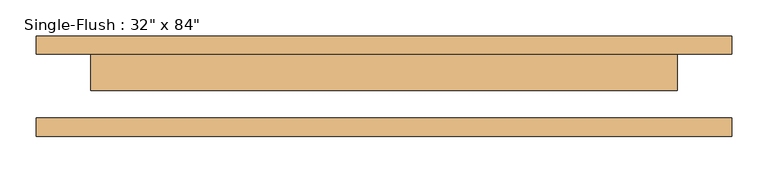
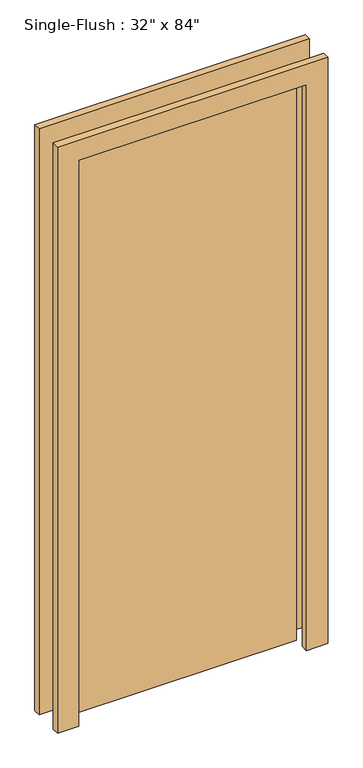
"""IFC4 building model written with IfcOpenShell, lengths in millimetres: door geometry."""

from ifc_helpers import new_model, si_unit, frame, origin, origin_with_axes, place, context, project, spatial, polyline, outline, extrude, source, transform, mapped, element, save


def door_2eec1c50(model_context):
    return source(origin(), model_context, "Body", "SweptSolid", [
        extrude(outline(polyline([(2209.8, -482.6), (0.0, -482.6), (0.0, -406.4), (2133.6, -406.4), (2133.6, 406.4), (0.0, 406.4), (0.0, 482.6), (2209.8, 482.6), (2209.8, -482.6)])), frame((0.0, 44.45, 0.0), z_axis=(0.0, 1.0, 0.0), x_axis=(0.0, 0.0, 1.0)), (0.0, 0.0, 1.0), 25.4),
        extrude(outline(polyline([(2209.8, 482.6), (2209.8, -482.6), (0.0, -482.6), (0.0, -406.4), (2133.6, -406.4), (2133.6, 406.4), (0.0, 406.4), (0.0, 482.6), (2209.8, 482.6)])), frame((0.0, -69.85, 0.0), z_axis=(0.0, 1.0, 0.0), x_axis=(0.0, 0.0, 1.0)), (0.0, 0.0, 1.0), 25.4),
        extrude(outline(polyline([(406.4, -6.35), (-406.4, -6.35), (-406.4, 44.45), (406.4, 44.45), (406.4, -6.35)])), origin_with_axes(), (0.0, 0.0, 1.0), 2133.6),
    ])


if __name__ == "__main__":
    model = new_model("IFC4")
    model_context = context("Model", 3, world=origin())
    ifc_project = project(units=[si_unit("LENGTHUNIT", "METRE", prefix="MILLI")], contexts=[model_context])
    site = spatial("IfcSite", under=ifc_project)
    building = spatial("IfcBuilding", under=site)
    placement = place(None, origin())
    door_shape = door_2eec1c50(model_context)
    element("IfcDoor", 1, ObjectType="Single-Flush : 32\" x 84\"", at=placement, inside=building, context=model_context, shape_type="MappedRepresentation", body=[
        mapped(door_shape, transform((0.0, 0.0, 0.0), x_axis=(1.0, 0.0, 0.0), y_axis=(0.0, 1.0, 0.0), z_axis=(0.0, 0.0, 1.0))),
    ])
    save(model, "model.ifc")
